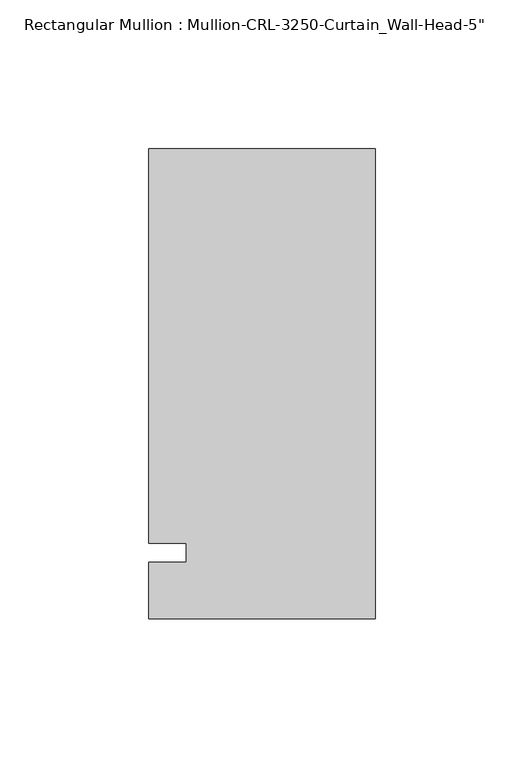
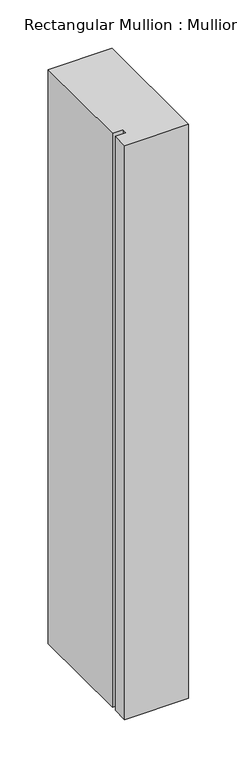
"""IFC4 building model written with IfcOpenShell, lengths in millimetres: member geometry."""

from ifc_helpers import new_model, si_unit, frame, origin, place, context, project, spatial, polyline, outline, extrude, source, transform, mapped, element, save


def member_0b66a665(model_context):
    return source(origin(), model_context, "Body", "SweptSolid", [
        extrude(outline(polyline([(0.0, -22.2254168), (-76.199997, -22.2254168), (-76.199997, -3.175), (-63.499997, -3.175), (-63.499997, 3.175), (-76.199997, 3.175), (-76.199997, 136.0164463), (0.0, 136.0164463), (0.0, -22.2254168)])), frame((0.0, 0.0, -723.9000045), z_axis=(0.0, 0.0, 1.0), x_axis=(1.0, 0.0, 0.0)), (0.0, 0.0, 1.0), 723.9000045),
    ])


if __name__ == "__main__":
    model = new_model("IFC4")
    model_context = context("Model", 3, world=origin())
    ifc_project = project(units=[si_unit("LENGTHUNIT", "METRE", prefix="MILLI")], contexts=[model_context])
    site = spatial("IfcSite", under=ifc_project)
    building = spatial("IfcBuilding", under=site)
    placement = place(None, origin())
    member_shape = member_0b66a665(model_context)
    element("IfcMember", 1, ObjectType="Rectangular Mullion : Mullion-CRL-3250-Curtain_Wall-Head-5\"", at=placement, inside=building, context=model_context, shape_type="MappedRepresentation", body=[
        mapped(member_shape, transform((0.0, 0.0, 0.0), x_axis=(1.0, 0.0, 0.0), y_axis=(0.0, 1.0, 0.0), z_axis=(0.0, 0.0, 1.0))),
    ])
    save(model, "model.ifc")
